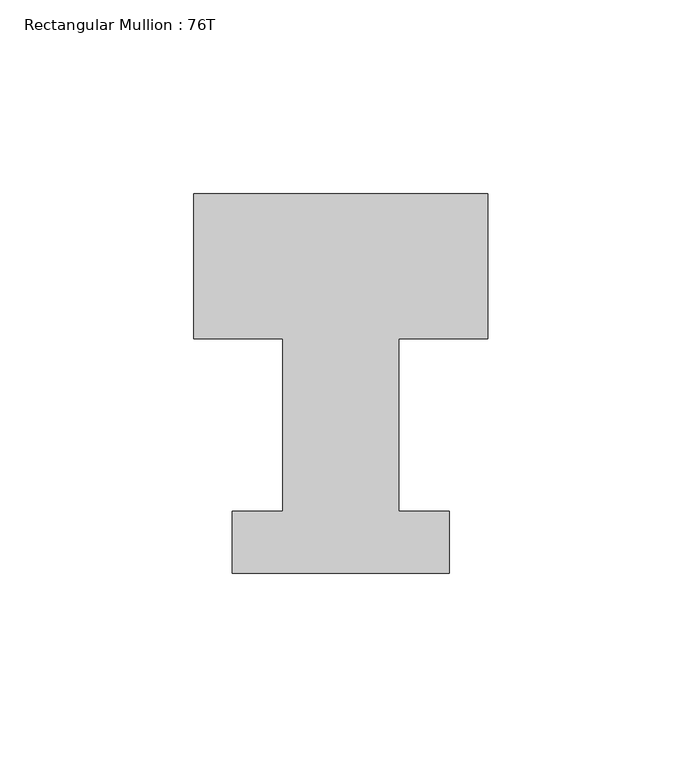
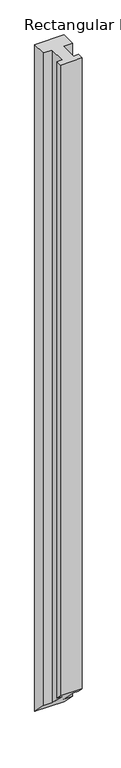
"""IFC4 building model written with IfcOpenShell, lengths in millimetres: member geometry, Rectangular Mullion : 76T."""

from ifc_helpers import new_model, si_unit, origin, place, context, project, spatial, faceted_brep, source, transform, mapped, element, save


def rectangular_mullion_76t_4f296cb3(model_context):
    return source(origin(), model_context, "Body", "Brep", [
        faceted_brep([(0.0, 38.0, 0.0), (-76.0, 38.0, 0.0), (-76.0, 0.5, 0.0), (-53.0, 0.5, 0.0), (-53.0, -44.0, 0.0), (-66.0, -44.0, 0.0), (-66.0, -60.0, 0.0), (-10.0, -60.0, 0.0), (-10.0, -44.0, 0.0), (-23.0, -44.0, 0.0), (-23.0, 0.5, 0.0), (0.0, 0.5, 0.0), (0.0, 38.0, -1822.0), (-76.0, 38.0, -1822.0), (-76.0, 0.5, -1784.5), (-53.0, 0.5, -1784.5), (-53.0, -44.0, -1740.0), (-66.0, -44.0, -1740.0), (-66.0, -60.0, -1724.0), (-10.0, -60.0, -1724.0), (-10.0, -44.0, -1740.0), (-23.0, -44.0, -1740.0), (-23.0, 0.5, -1784.5), (0.0, 0.5, -1784.5)], [[[0, 1, 2, 3, 4, 5, 6, 7, 8, 9, 10, 11]], [[1, 0, 12, 13]], [[2, 1, 13, 14]], [[3, 2, 14, 15]], [[4, 3, 15, 16]], [[5, 4, 16, 17]], [[6, 5, 17, 18]], [[7, 6, 18, 19]], [[8, 7, 19, 20]], [[9, 8, 20, 21]], [[10, 9, 21, 22]], [[11, 10, 22, 23]], [[0, 11, 23, 12]], [[12, 23, 22, 21, 20, 19, 18, 17, 16, 15, 14, 13]]]),
    ])


if __name__ == "__main__":
    model = new_model("IFC4")
    model_context = context("Model", 3, world=origin())
    ifc_project = project(units=[si_unit("LENGTHUNIT", "METRE", prefix="MILLI")], contexts=[model_context])
    site = spatial("IfcSite", under=ifc_project)
    building = spatial("IfcBuilding", under=site)
    placement = place(None, origin())
    rectangular_mullion_76t_shape = rectangular_mullion_76t_4f296cb3(model_context)
    element("IfcMember", 1, ObjectType="Rectangular Mullion : 76T", at=placement, inside=building, context=model_context, shape_type="MappedRepresentation", body=[
        mapped(rectangular_mullion_76t_shape, transform((0.0, 0.0, 0.0), x_axis=(1.0, 0.0, 0.0), y_axis=(0.0, 1.0, 0.0), z_axis=(0.0, 0.0, 1.0))),
    ])
    save(model, "model.ifc")
